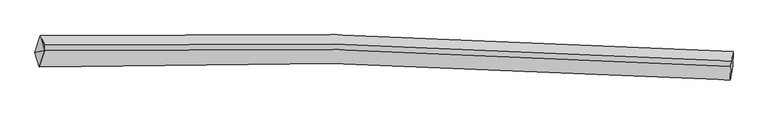
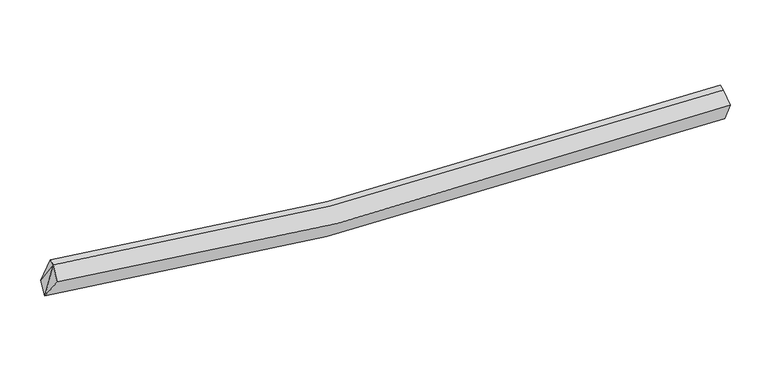
"""IFC4 building model written with IfcOpenShell, lengths in millimetres: proxy geometry."""

from ifc_helpers import new_model, si_unit, frame, origin, place, context, project, spatial, source, transform, mapped, element, save
from ifc_brep_helpers import plane_surface, spline_curve, spline_surface, advanced_brep


def generic_models_159aec64(model_context):
    return source(origin(), model_context, "Body", "AdvancedBrep", [
        advanced_brep(
        [(-7687.6712248, -2000.2801237, 3308.114904), (-7553.7825491, -1591.3247127, 3427.8764114), (9331.152888, -1975.9963366, 2472.7095133), (9318.0247736, -2334.8893215, 2303.5865469), (-7579.5892259, -2359.453673, 3861.0916891), (9265.2163414, -2676.7744261, 2889.0144628), (-7448.8052745, -1957.3559787, 4031.6983091), (9275.6144761, -2338.2308477, 3085.3281906), (-7443.1351935, -1825.4341898, 4078.2224081), (9281.2845572, -2206.3090588, 3131.8522896)],
        [
            (0, 1),
            (1, 2, spline_curve(3, [(-7553.7825491, -1591.3247127, 3427.8764114), (-5215.96199082, -1538.260497848, 3003.294652401), (-2860.572199353, -1530.54535151, 2701.303434511), (2752.551663649, -1619.566641484, 2276.939501771), (6025.473684372, -1755.505661844, 2260.541754372), (9331.152888, -1975.9963366, 2472.7095133)], [4, 2, 4], [0.0, 23.601026691293278, 55.827127535857294])),
            (2, 3),
            (3, 0, spline_curve(3, [(9318.0247736, -2334.8893215, 2303.5865469), (6037.546067165, -2100.641376929, 2069.927861954), (2761.864516808, -1964.446966045, 2082.722943992), (-2904.476603901, -1898.373331243, 2531.834632969), (-5297.360385369, -1923.031342839, 2853.882336546), (-7687.6712248, -2000.2801237, 3308.114904)], [4, 2, 4], [0.0, 32.226100844564016, 55.827127535857294])),
            (4, 0),
            (3, 5),
            (5, 4, spline_curve(3, [(9265.2163414, -2676.7744261, 2889.0144628), (6030.674044695, -2440.51861893, 2625.902421273), (2792.282584885, -2305.395637966, 2622.64163483), (-2824.437278856, -2246.512540639, 3067.148057994), (-5200.981007914, -2275.861936592, 3394.434587149), (-7579.5892259, -2359.453673, 3861.0916891)], [4, 2, 4], [0.0, 32.197851477377725, 55.77818953270504])),
            (6, 4),
            (5, 7),
            (7, 6, spline_curve(3, [(9275.6144761, -2338.2308477, 3085.3281906), (6024.005137675, -2118.590081072, 2868.980680587), (2791.770019235, -1983.43207236, 2882.634356028), (-2774.053659161, -1895.644424694, 3304.731685453), (-5116.625124284, -1903.844142745, 3606.534715678), (-7448.8052745, -1957.3559787, 4031.6983091)], [4, 2, 4], [0.0, 31.92446599856253, 55.30458814773196])),
            (8, 6),
            (7, 9),
            (9, 8, spline_curve(3, [(9281.2845572, -2206.3090588, 3131.8522896), (6029.675218593, -1986.668291951, 2915.50477963), (2797.440100103, -1851.510283664, 2929.158454769), (-2768.383577892, -1763.722635644, 3351.255784643), (-5110.955043443, -1771.922354257, 3653.058814051), (-7443.1351935, -1825.4341898, 4078.2224081)], [4, 2, 4], [0.0, 31.801403474444413, 55.09139986094655])),
            (1, 8),
            (9, 2),
            (1, 6),
            (6, 0),
        ],
        [
            spline_surface(3, 3, [[(-7687.6712248, -2000.2801237, 3308.114904), (-5297.360385242, -1923.031343224, 2853.88233633), (-2904.476603621, -1898.373331577, 2531.834632754), (2761.864516427, -1964.44696559, 2082.722944285), (6037.54606757, -2100.641376448, 2069.927862135), (9318.0247736, -2334.8893215, 2303.5865469)], [(-7643.041666231, -1863.961653368, 3348.035406485), (-5270.227587127, -1794.774394687, 2903.68644177), (-2889.841802204, -1775.76400494, 2588.324233314), (2758.760232193, -1849.486857489, 2147.461796763), (6033.521939884, -1985.59613823, 2133.465826037), (9322.400811719, -2215.258326516, 2359.960869016)], [(-7598.412107669, -1727.643183032, 3387.955908915), (-5243.094789017, -1666.517446145, 2953.490547155), (-2875.207000809, -1653.154678296, 2644.81383394), (2755.655947937, -1734.526749381, 2212.200649308), (6029.497812241, -1870.550900062, 2197.003789992), (9326.776849881, -2095.627331584, 2416.335191184)], [(-7553.7825491, -1591.3247127, 3427.8764114), (-5215.961990902, -1538.260497608, 3003.294652595), (-2860.572199392, -1530.545351659, 2701.3034345), (2752.551663703, -1619.56664128, 2276.939501786), (6025.473684556, -1755.505661844, 2260.541753894), (9331.152888, -1975.9963366, 2472.7095133)]], [4, 4], [4, 2, 4], [0.0, 1.3091096111669263], [0.0, 23.601026691293278, 55.827127535857294]),
            spline_surface(3, 3, [[(-7579.5892259, -2359.453673, 3861.0916891), (-5200.981007795, -2275.861936851, 3394.434586802), (-2824.437278488, -2246.512540683, 3067.148058262), (2792.282584383, -2305.395637906, 2622.641634464), (6030.674044168, -2440.518618428, 2625.902420895), (9265.2163414, -2676.7744261, 2889.0144628)], [(-7615.616558854, -2239.729156549, 3676.766094051), (-5233.107466931, -2158.251738958, 3214.250503295), (-2851.11705356, -2130.466137636, 2888.710249761), (2782.14322837, -2191.746080456, 2442.66873774), (6032.964718662, -2327.226204438, 2440.577567968), (9282.81915216, -2562.81272457, 2693.87182416)], [(-7651.643891846, -2120.004640151, 3492.440499049), (-5265.233926106, -2040.641541117, 3034.066419836), (-2877.796828549, -2014.419734624, 2710.272441254), (2772.00387244, -2078.09652304, 2262.695841009), (6035.255393076, -2213.933790438, 2255.252715062), (9300.42196284, -2448.85102303, 2498.72918554)], [(-7687.6712248, -2000.2801237, 3308.114904), (-5297.360385242, -1923.031343224, 2853.88233633), (-2904.476603621, -1898.373331577, 2531.834632754), (2761.864516427, -1964.44696559, 2082.722944285), (6037.54606757, -2100.641376448, 2069.927862135), (9318.0247736, -2334.8893215, 2303.5865469)]], [4, 4], [4, 2, 4], [0.0, 2.1029393804045857], [0.0, 23.580338055327314, 55.77818953270504]),
            spline_surface(3, 3, [[(-7448.8052745, -1957.3559787, 4031.6983091), (-5116.625124082, -1903.84414297, 3606.534715358), (-2774.053659085, -1895.644424491, 3304.731685322), (2791.770019131, -1983.432072637, 2882.634356208), (6024.005137631, -2118.590080778, 2868.980680109), (9275.6144761, -2338.2308477, 3085.3281906)], [(-7492.399924977, -2091.388543477, 3974.829435771), (-5144.743751996, -2027.850074274, 3535.83467251), (-2790.848198885, -2012.60046321, 3225.537142991), (2791.940874216, -2090.753261048, 2795.970115649), (6026.228106452, -2225.899593343, 2787.954593728), (9272.148431175, -2451.078707181, 3019.890281357)], [(-7535.994575423, -2225.421108223, 3917.960562429), (-5172.86237988, -2151.856005547, 3465.13462965), (-2807.642738688, -2129.556501964, 3146.342600593), (2792.111729298, -2198.074449494, 2709.305875022), (6028.451075347, -2333.209105863, 2706.928507276), (9268.682386325, -2563.926566619, 2954.452372043)], [(-7579.5892259, -2359.453673, 3861.0916891), (-5200.981007795, -2275.861936851, 3394.434586802), (-2824.437278488, -2246.512540683, 3067.148058262), (2792.282584383, -2305.395637906, 2622.641634464), (6030.674044168, -2440.518618428, 2625.902420895), (9265.2163414, -2676.7744261, 2889.0144628)]], [4, 4], [4, 2, 4], [0.0, 1.3683303170938903], [0.0, 23.380122149169434, 55.30458814773196]),
            spline_surface(3, 3, [[(-7443.1351935, -1825.4341898, 4078.2224081), (-5110.955043082, -1771.92235407, 3653.058814358), (-2768.383577985, -1763.722635591, 3351.255784322), (2797.440100231, -1851.510283737, 2929.158455208), (6029.675218731, -1986.668291878, 2915.504779109), (9281.2845572, -2206.3090588, 3131.8522896)], [(-7445.025220507, -1869.408119439, 4062.714375092), (-5112.845070088, -1815.896283709, 3637.55078135), (-2770.273604992, -1807.69656523, 3335.747751314), (2795.550073224, -1895.484213376, 2913.6504222), (6027.785191724, -2030.642221517, 2899.996746101), (9279.394530193, -2250.282988439, 3116.344256592)], [(-7446.915247493, -1913.382049061, 4047.206342108), (-5114.735097075, -1859.870213331, 3622.042748366), (-2772.163632078, -1851.670494852, 3320.23971833), (2793.660046138, -1939.458142997, 2898.142389216), (6025.895164638, -2074.616151138, 2884.488713117), (9277.504503107, -2294.256918061, 3100.836223608)], [(-7448.8052745, -1957.3559787, 4031.6983091), (-5116.625124082, -1903.84414297, 3606.534715358), (-2774.053659085, -1895.644424491, 3304.731685322), (2791.770019131, -1983.432072637, 2882.634356208), (6024.005137631, -2118.590080778, 2868.980680109), (9275.6144761, -2338.2308477, 3085.3281906)]], [4, 4], [4, 2, 4], [0.0, 0.45931758530183897], [0.0, 23.28999638650214, 55.09139986094655]),
            spline_surface(3, 3, [[(-7553.7825491, -1591.3247127, 3427.8764114), (-5215.961990902, -1538.260497608, 3003.294652595), (-2860.572199392, -1530.545351659, 2701.3034345), (2752.551663703, -1619.56664128, 2276.939501786), (6025.473684556, -1755.505661844, 2260.541753894), (9331.152888, -1975.9963366, 2472.7095133)], [(-7516.900097231, -1669.361205066, 3644.658410302), (-5180.95967496, -1616.147783095, 3219.882706518), (-2829.842658931, -1608.271112985, 2917.954217779), (2767.514475871, -1696.88118878, 2494.345819599), (6026.874195933, -1832.559871848, 2478.862762307), (9314.530111052, -2052.767243993, 2692.423772075)], [(-7480.017645369, -1747.397697434, 3861.440409198), (-5145.957359024, -1694.035068583, 3436.470760435), (-2799.113118446, -1685.996874266, 3134.605001042), (2782.477288062, -1774.195736236, 2711.752137395), (6028.274707353, -1909.614081874, 2697.183770695), (9297.907334148, -2129.538151407, 2912.138030825)], [(-7443.1351935, -1825.4341898, 4078.2224081), (-5110.955043082, -1771.92235407, 3653.058814358), (-2768.383577985, -1763.722635591, 3351.255784322), (2797.440100231, -1851.510283737, 2929.158455208), (6029.675218731, -1986.668291878, 2915.504779109), (9281.2845572, -2206.3090588, 3131.8522896)]], [4, 4], [4, 2, 4], [0.0, 2.2780581257342103], [0.0, 23.401115614659865, 55.354247210902564]),
            plane_surface(frame((9294.2586073, -2306.4399981, 2776.4982006), z_axis=(0.9966365928372632, -0.061810939881563276, 0.053804363472575376), x_axis=(-0.026560883173382573, -0.8647720607078089, -0.5014616660366171))),
            plane_surface(frame((-7481.9076724, -1791.371627, 3845.9323762), z_axis=(-0.9865973448538523, -0.014900551388110174, 0.1624920080978117), x_axis=(0.14705526692250795, -0.5127474087913072, 0.8458515491787848))),
            plane_surface(frame((-7572.0219084, -2105.6965918, 3733.6349674), z_axis=(-0.9375108084575233, 0.17809945380374875, 0.29892150906237525), x_axis=(0.161754694984405, -0.5375363939780387, 0.8275808382264472))),
            plane_surface(frame((-7563.4196828, -1849.653605, 3589.2298748), z_axis=(-0.9304423702934737, 0.21846546965891545, 0.29419353175991547), x_axis=(-0.2997489536792453, -0.9155662784821221, -0.26812115633533096))),
        ],
        [
            (0, [[1, 2, 3, 4]]),
            (1, [[5, -4, 6, 7]]),
            (2, [[8, -7, 9, 10]]),
            (3, [[11, -10, 12, 13]]),
            (4, [[14, -13, 15, -2]]),
            (5, [[-9, -6, -3, -15, -12]]),
            (6, [[16, -11, -14]]),
            (7, [[-5, -8, 17]]),
            (8, [[-1, -17, -16]]),
        ],
    ),
    ])


if __name__ == "__main__":
    model = new_model("IFC4")
    model_context = context("Model", 3, world=origin())
    ifc_project = project(units=[si_unit("LENGTHUNIT", "METRE", prefix="MILLI")], contexts=[model_context])
    site = spatial("IfcSite", under=ifc_project)
    building = spatial("IfcBuilding", under=site)
    placement = place(None, origin())
    generic_models_shape = generic_models_159aec64(model_context)
    element("IfcBuildingElementProxy", 1, Name="Generic Models", at=placement, inside=building, context=model_context, shape_type="MappedRepresentation", body=[
        mapped(generic_models_shape, transform((0.0, 0.0, 0.0), x_axis=(1.0, 0.0, 0.0), y_axis=(0.0, 1.0, 0.0), z_axis=(0.0, 0.0, 1.0))),
    ])
    save(model, "model.ifc")
